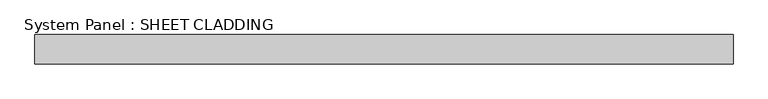
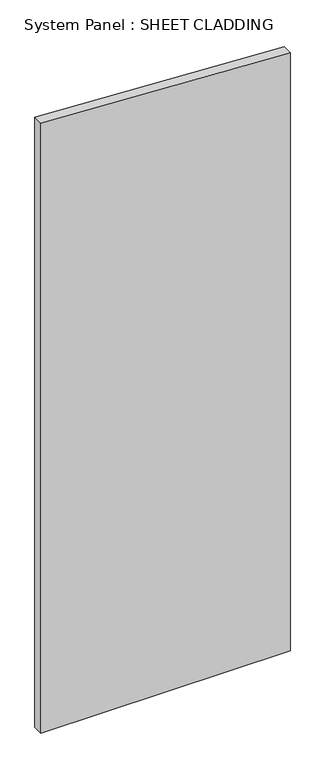
"""IFC4 building model written with IfcOpenShell, lengths in millimetres: plate geometry, System Panel : SHEET CLADDING."""

import ifcopenshell
import ifcopenshell.guid

model = None  # the IFC model being written
_history = None  # IfcOwnerHistory: only IFC2X3 demands one
_inside = {}  # id of a spatial element -> (the spatial element, [elements in it])
_under = {}  # id of a project, library or spatial element -> (it, [spatial elements below it])
_declared = {}  # id of a project -> (the project, [libraries it declares])
_typed = {}  # id of a type object -> (the type object, [elements of that type])
_made_of = {}  # id of a material, layer set ... -> (it, [elements and type objects made of it])


def new_model(schema):
    """Start an empty IFC model of exactly this schema.

    Asked for "IFC4X3", IfcOpenShell would pick the latest addendum, in which some entities
    have other attributes; the version numbers below select the first issue.
    IFC2X3 requires an IfcOwnerHistory on every rooted entity: one is made here for all.
    """
    global model, _history
    if schema == "IFC4X3":
        model = ifcopenshell.file(schema_version=(4, 3, 0, 0))
    else:
        model = ifcopenshell.file(schema=schema)
    _inside.clear()
    _under.clear()
    _declared.clear()
    _typed.clear()
    _made_of.clear()
    _history = None
    if model.schema == "IFC2X3":
        org = make("IfcOrganization", Name="unknown")
        user = make(
            "IfcPersonAndOrganization",
            ThePerson=make("IfcPerson", FamilyName="unknown"),
            TheOrganization=org,
        )
        app = make(
            "IfcApplication",
            ApplicationDeveloper=org,
            Version="unknown",
            ApplicationFullName="unknown",
            ApplicationIdentifier="unknown",
        )
        _history = make(
            "IfcOwnerHistory",
            OwningUser=user,
            OwningApplication=app,
            ChangeAction="ADDED",
            CreationDate=0,
        )
    return model


def make(cls, **values):
    """One entity of the class cls with the attributes given. An attribute that is None is left unset."""
    return model.create_entity(
        cls, **{name: value for name, value in values.items() if value is not None}
    )


def rooted(cls, **values):
    """An entity with a GlobalId (a new one), such as an element, a storey or a relation."""
    return make(cls, GlobalId=ifcopenshell.guid.new(), OwnerHistory=_history, **values)


def si_unit(unit_type, name, prefix=None):
    """IfcSIUnit, for example si_unit("LENGTHUNIT", "METRE", prefix="MILLI")."""
    return make("IfcSIUnit", UnitType=unit_type, Prefix=prefix, Name=name)


def assignment(units):
    """IfcUnitAssignment: the units of a project."""
    return None if units is None else make("IfcUnitAssignment", Units=units)


def point(xyz):
    """IfcCartesianPoint."""
    return None if xyz is None else make("IfcCartesianPoint", Coordinates=xyz)


def direction(xyz):
    """IfcDirection."""
    return None if xyz is None else make("IfcDirection", DirectionRatios=xyz)


def frame(location, z_axis=None, x_axis=None):
    """IfcAxis2Placement3D, a coordinate frame: its origin and axes. An axis left out is left unset."""
    return make(
        "IfcAxis2Placement3D",
        Location=point(location),
        Axis=direction(z_axis),
        RefDirection=direction(x_axis),
    )


def origin():
    """The frame at (0, 0, 0) with its axes left unset."""
    return frame((0.0, 0.0, 0.0))


def place(relative_to, where):
    """IfcLocalPlacement: puts the frame where relative to a parent placement (None: the world)."""
    return make(
        "IfcLocalPlacement", PlacementRelTo=relative_to, RelativePlacement=where
    )


def context(
    kind, dimensions, precision=None, world=None, true_north=None, identifier=None
):
    """IfcGeometricRepresentationContext, for example the 3D "Model" context."""
    return make(
        "IfcGeometricRepresentationContext",
        ContextIdentifier=identifier,
        ContextType=kind,
        CoordinateSpaceDimension=dimensions,
        Precision=precision,
        WorldCoordinateSystem=world,
        TrueNorth=true_north,
    )


def project(units=None, contexts=None):
    """IfcProject with its units and contexts."""
    return rooted(
        "IfcProject",
        Name="project",
        RepresentationContexts=contexts,
        UnitsInContext=assignment(units),
    )


def spatial(cls, under=None, at=None, **own):
    """A site, building, storey or space (cls), placed at a placement, below another one or the project."""
    s = rooted(cls, ObjectPlacement=at, **own)
    if under is not None:
        _under.setdefault(under.id(), (under, []))[1].append(s)
    return s


def polyline(points):
    """IfcPolyline through the points."""
    return make("IfcPolyline", Points=[point(p) for p in points])


def outline(outer, holes=None, kind="AREA"):
    """IfcArbitraryClosedProfileDef: a profile drawn as a closed curve; with holes, ...WithVoids."""
    if holes is None:
        return make("IfcArbitraryClosedProfileDef", ProfileType=kind, OuterCurve=outer)
    return make(
        "IfcArbitraryProfileDefWithVoids",
        ProfileType=kind,
        OuterCurve=outer,
        InnerCurves=holes,
    )


def extrude(swept, where, along, depth):
    """IfcExtrudedAreaSolid: the profile swept, set in the frame where, extruded along a direction by depth."""
    return make(
        "IfcExtrudedAreaSolid",
        SweptArea=swept,
        Position=where,
        ExtrudedDirection=direction(along),
        Depth=depth,
    )


def shape(context_of_items, identifier, shape_type, items):
    """IfcShapeRepresentation: the items that make up one representation, for example the "Body"."""
    return make(
        "IfcShapeRepresentation",
        ContextOfItems=context_of_items,
        RepresentationIdentifier=identifier,
        RepresentationType=shape_type,
        Items=items,
    )


def source(mapping_origin, context_of_items, identifier, shape_type, items):
    """IfcRepresentationMap: a shape defined once, which mapped items show again and again."""
    return make(
        "IfcRepresentationMap",
        MappingOrigin=mapping_origin,
        MappedRepresentation=shape(context_of_items, identifier, shape_type, items),
    )


def transform(
    local_origin,
    x_axis=None,
    y_axis=None,
    z_axis=None,
    scale=None,
    scale2=None,
    scale3=None,
    uniform=True,
):
    """IfcCartesianTransformationOperator3D, or its non-uniform kind. x_axis, y_axis, z_axis: its Axis1, 2, 3."""
    if uniform:
        return make(
            "IfcCartesianTransformationOperator3D",
            Axis1=direction(x_axis),
            Axis2=direction(y_axis),
            LocalOrigin=point(local_origin),
            Scale=scale,
            Axis3=direction(z_axis),
        )
    return make(
        "IfcCartesianTransformationOperator3DnonUniform",
        Axis1=direction(x_axis),
        Axis2=direction(y_axis),
        LocalOrigin=point(local_origin),
        Scale=scale,
        Axis3=direction(z_axis),
        Scale2=scale2,
        Scale3=scale3,
    )


def mapped(mapping_source, mapping_target):
    """IfcMappedItem: shows the shape of a source again, moved by a transform."""
    return make(
        "IfcMappedItem", MappingSource=mapping_source, MappingTarget=mapping_target
    )


def made_of(thing, what):
    """Note that an element or type object is made of a material, layer set ...; save() writes the relation."""
    if what is not None:
        _made_of.setdefault(what.id(), (what, []))[1].append(thing)
    return thing


def element(
    cls,
    number,
    at=None,
    inside=None,
    cuts=None,
    type_object=None,
    material=None,
    context=None,
    identifier="Body",
    shape_type=None,
    held_by="IfcProductDefinitionShape",
    body=None,
    shapes=None,
    **own,
):
    """One element of the class cls, such as IfcWall. Its Tag is "e" and its number.

    at: its placement. inside: the storey or other place that contains it. cuts: it is an
    opening in that element (IfcRelVoidsElement). A single representation is given by context,
    identifier, shape_type and body (its items); several are given by shapes. held_by: the class
    of the entity that holds the representations. save() writes the other relations.
    """
    e = rooted(cls, Tag="e%d" % number, ObjectPlacement=at, **own)
    if body is not None:
        shapes = [shape(context, identifier, shape_type, body)]
    if shapes is not None:
        e.Representation = make(held_by, Representations=shapes)
    if inside is not None:
        _inside.setdefault(inside.id(), (inside, []))[1].append(e)
    if cuts is not None:
        rooted(
            "IfcRelVoidsElement", RelatingBuildingElement=cuts, RelatedOpeningElement=e
        )
    if type_object is not None:
        _typed.setdefault(type_object.id(), (type_object, []))[1].append(e)
    return made_of(e, material)


def aggregate(whole, parts):
    """IfcRelAggregates: a whole, such as a stair, and the parts it consists of."""
    return rooted("IfcRelAggregates", RelatingObject=whole, RelatedObjects=parts)


def save(model, path):
    """Write the relations noted so far, then the file.

    IfcRelAggregates (storeys below a building ...), IfcRelContainedInSpatialStructure (elements
    in a storey), IfcRelDefinesByType, IfcRelAssociatesMaterial and IfcRelDeclares: one each for
    every whole, place, type object, material and project.
    """
    for whole, parts in _under.values():
        aggregate(whole, parts)
    for where, things in _inside.values():
        rooted(
            "IfcRelContainedInSpatialStructure",
            RelatedElements=things,
            RelatingStructure=where,
        )
    for kind, things in _typed.values():
        rooted("IfcRelDefinesByType", RelatedObjects=things, RelatingType=kind)
    for what, things in _made_of.values():
        rooted("IfcRelAssociatesMaterial", RelatedObjects=things, RelatingMaterial=what)
    for by, libraries in _declared.values():
        rooted("IfcRelDeclares", RelatingContext=by, RelatedDefinitions=libraries)
    model.write(path)


def system_panel_sheet_cladding_13879ee2(model_context):
    return source(origin(), model_context, "Body", "SweptSolid", [
        extrude(outline(polyline([(0.0, -718.75), (0.0, 718.75), (3647.6, 718.75), (3719.475, -718.75), (0.0, -718.75)])), frame((0.0, -49.5, 0.0), z_axis=(0.0, 1.0, 0.0), x_axis=(0.0, 0.0, 1.0)), (0.0, 0.0, 1.0), 60.0),
    ])


if __name__ == "__main__":
    model = new_model("IFC4")
    model_context = context("Model", 3, world=origin())
    ifc_project = project(units=[si_unit("LENGTHUNIT", "METRE", prefix="MILLI")], contexts=[model_context])
    site = spatial("IfcSite", under=ifc_project)
    building = spatial("IfcBuilding", under=site)
    placement = place(None, origin())
    system_panel_sheet_cladding_shape = system_panel_sheet_cladding_13879ee2(model_context)
    element("IfcPlate", 1, ObjectType="System Panel : SHEET CLADDING", at=placement, inside=building, context=model_context, shape_type="MappedRepresentation", body=[
        mapped(system_panel_sheet_cladding_shape, transform((0.0, 0.0, 0.0), x_axis=(1.0, 0.0, 0.0), y_axis=(0.0, 1.0, 0.0), z_axis=(0.0, 0.0, 1.0))),
    ])
    save(model, "model.ifc")
